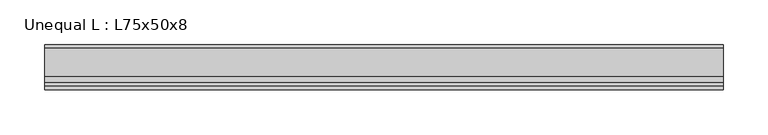
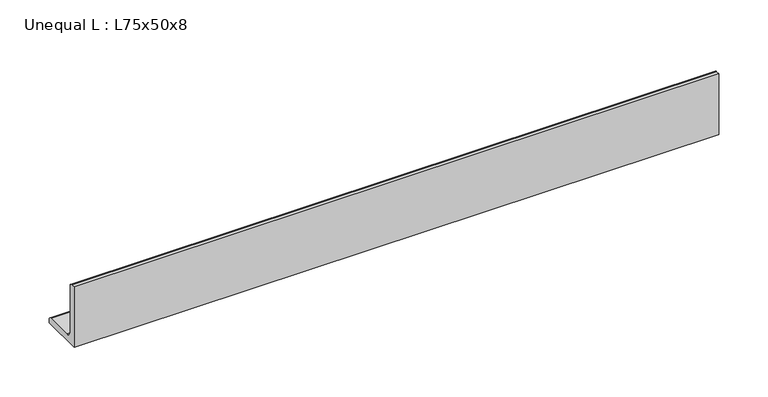
"""IFC4 building model written with IfcOpenShell, lengths in millimetres: beam geometry, Unequal L : L75x50x8."""

from ifc_helpers import new_model, si_unit, point, frame, frame_2d, origin, place, context, project, spatial, polyline, circle_curve, trimmed, segment, composite_curve, outline, extrude, source, transform, mapped, element, save


def unequal_l_l75x50x8_0780b586(model_context):
    return source(origin(), model_context, "Body", "SweptSolid", [
        extrude(outline(composite_curve([segment(polyline([(-12.9, -25.2), (-12.9, 49.8), (-8.4, 49.8)]), True, "CONTINUOUS"), segment(trimmed(circle_curve(frame_2d((-8.4, 46.3)), 3.5), [point((-8.4, 49.8))], [point((-4.9, 46.3))], False, "CARTESIAN"), True, "CONTINUOUS"), segment(polyline([(-4.9, 46.3), (-4.9, -10.2)]), True, "CONTINUOUS"), segment(trimmed(circle_curve(frame_2d((2.1, -10.2)), 7.0), [point((-4.9, -10.2))], [point((2.1, -17.2))], True, "CARTESIAN"), True, "CONTINUOUS"), segment(polyline([(2.1, -17.2), (33.6, -17.2)]), True, "CONTINUOUS"), segment(trimmed(circle_curve(frame_2d((33.6, -20.7)), 3.5), [point((33.6, -17.2))], [point((37.1, -20.7))], False, "CARTESIAN"), True, "CONTINUOUS"), segment(polyline([(37.1, -20.7), (37.1, -25.2), (-12.9, -25.2)]), True, "CONTINUOUS")], self_intersect=False)), frame((-395.0, 0.0, 0.0), z_axis=(1.0, 0.0, 0.0), x_axis=(0.0, 1.0, 0.0)), (0.0, 0.0, 1.0), 754.0),
    ])


if __name__ == "__main__":
    model = new_model("IFC4")
    model_context = context("Model", 3, world=origin())
    ifc_project = project(units=[si_unit("LENGTHUNIT", "METRE", prefix="MILLI")], contexts=[model_context])
    site = spatial("IfcSite", under=ifc_project)
    building = spatial("IfcBuilding", under=site)
    placement = place(None, origin())
    unequal_l_l75x50x8_shape = unequal_l_l75x50x8_0780b586(model_context)
    element("IfcBeam", 1, ObjectType="Unequal L : L75x50x8", at=placement, inside=building, context=model_context, shape_type="MappedRepresentation", body=[
        mapped(unequal_l_l75x50x8_shape, transform((0.0, 0.0, 0.0), x_axis=(1.0, 0.0, 0.0), y_axis=(0.0, 1.0, 0.0), z_axis=(0.0, 0.0, 1.0))),
    ])
    save(model, "model.ifc")
